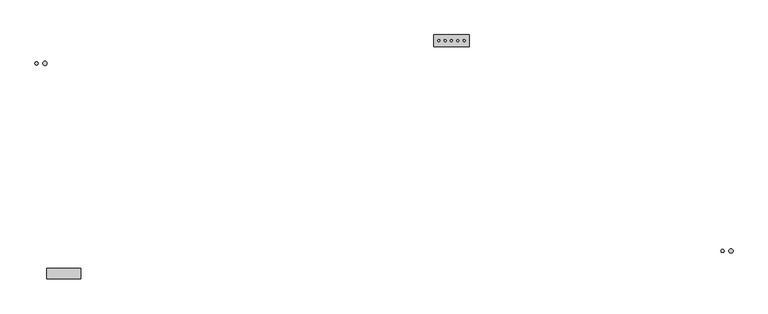
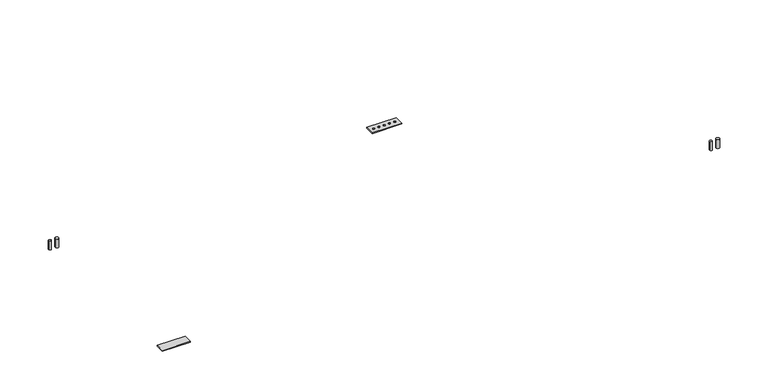
"""IFC4 building model written with IfcOpenShell, lengths in millimetres: proxy geometry."""

from ifc_helpers import new_model, si_unit, point, frame, frame_2d, origin, place, context, project, spatial, polyline, circle_curve, trimmed, segment, composite_curve, outline, extrude, source, transform, mapped, element, save


def mechanical_equipment_dfa32d5c(model_context):
    return source(origin(), model_context, "Body", "SweptSolid", [
        extrude(outline(composite_curve([segment(trimmed(circle_curve(frame_2d((242.6911047, 192.5203719)), 12.7), [point((229.9911047, 192.5203719))], [point((255.3911047, 192.5203719))], False, "CARTESIAN"), True, "CONTINUOUS"), segment(trimmed(circle_curve(frame_2d((242.6911047, 192.5203719)), 12.7), [point((255.3911047, 192.5203719))], [point((229.9911047, 192.5203719))], False, "CARTESIAN"), True, "CONTINUOUS")], self_intersect=False)), frame((0.0, 0.0, 61.2666507), z_axis=(0.0, 0.0, 1.0), x_axis=(1.0, 0.0, 0.0)), (0.0, 0.0, 1.0), 65.7333493),
        extrude(outline(composite_curve([segment(trimmed(circle_curve(frame_2d((191.8911047, 192.5203719)), 9.525), [point((182.3661047, 192.5203719))], [point((201.4161047, 192.5203719))], False, "CARTESIAN"), True, "CONTINUOUS"), segment(trimmed(circle_curve(frame_2d((191.8911047, 192.5203719)), 9.525), [point((201.4161047, 192.5203719))], [point((182.3661047, 192.5203719))], False, "CARTESIAN"), True, "CONTINUOUS")], self_intersect=False)), frame((0.0, 0.0, 61.2666507), z_axis=(0.0, 0.0, 1.0), x_axis=(1.0, 0.0, 0.0)), (0.0, 0.0, 1.0), 65.7333493),
        extrude(outline(composite_curve([segment(trimmed(circle_curve(frame_2d((2616.1027684, 329.7424825)), 6.35), [point((2609.7527684, 329.7424825))], [point((2622.4527684, 329.7424825))], False, "CARTESIAN"), True, "CONTINUOUS"), segment(trimmed(circle_curve(frame_2d((2616.1027684, 329.7424825)), 6.35), [point((2622.4527684, 329.7424825))], [point((2609.7527684, 329.7424825))], False, "CARTESIAN"), True, "CONTINUOUS")], self_intersect=False)), frame((0.0, 0.0, 44.45), z_axis=(0.0, 0.0, 1.0), x_axis=(1.0, 0.0, 0.0)), (0.0, 0.0, 1.0), 6.35),
        extrude(outline(composite_curve([segment(trimmed(circle_curve(frame_2d((2654.2027684, 329.7424825)), 6.35), [point((2647.8527684, 329.7424825))], [point((2660.5527684, 329.7424825))], False, "CARTESIAN"), True, "CONTINUOUS"), segment(trimmed(circle_curve(frame_2d((2654.2027684, 329.7424825)), 6.35), [point((2660.5527684, 329.7424825))], [point((2647.8527684, 329.7424825))], False, "CARTESIAN"), True, "CONTINUOUS")], self_intersect=False)), frame((0.0, 0.0, 44.45), z_axis=(0.0, 0.0, 1.0), x_axis=(1.0, 0.0, 0.0)), (0.0, 0.0, 1.0), 6.35),
        extrude(outline(composite_curve([segment(trimmed(circle_curve(frame_2d((2692.3027684, 329.7424825)), 6.35), [point((2685.9527684, 329.7424825))], [point((2698.6527684, 329.7424825))], False, "CARTESIAN"), True, "CONTINUOUS"), segment(trimmed(circle_curve(frame_2d((2692.3027684, 329.7424825)), 6.35), [point((2698.6527684, 329.7424825))], [point((2685.9527684, 329.7424825))], False, "CARTESIAN"), True, "CONTINUOUS")], self_intersect=False)), frame((0.0, 0.0, 44.45), z_axis=(0.0, 0.0, 1.0), x_axis=(1.0, 0.0, 0.0)), (0.0, 0.0, 1.0), 6.35),
        extrude(outline(composite_curve([segment(trimmed(circle_curve(frame_2d((2730.4027684, 329.7424825)), 6.35), [point((2724.0527684, 329.7424825))], [point((2736.7527684, 329.7424825))], False, "CARTESIAN"), True, "CONTINUOUS"), segment(trimmed(circle_curve(frame_2d((2730.4027684, 329.7424825)), 6.35), [point((2736.7527684, 329.7424825))], [point((2724.0527684, 329.7424825))], False, "CARTESIAN"), True, "CONTINUOUS")], self_intersect=False)), frame((0.0, 0.0, 44.45), z_axis=(0.0, 0.0, 1.0), x_axis=(1.0, 0.0, 0.0)), (0.0, 0.0, 1.0), 6.35),
        extrude(outline(composite_curve([segment(trimmed(circle_curve(frame_2d((2768.5027684, 329.7424825)), 6.35), [point((2762.1527684, 329.7424825))], [point((2774.8527684, 329.7424825))], False, "CARTESIAN"), True, "CONTINUOUS"), segment(trimmed(circle_curve(frame_2d((2768.5027684, 329.7424825)), 6.35), [point((2774.8527684, 329.7424825))], [point((2762.1527684, 329.7424825))], False, "CARTESIAN"), True, "CONTINUOUS")], self_intersect=False)), frame((0.0, 0.0, 44.45), z_axis=(0.0, 0.0, 1.0), x_axis=(1.0, 0.0, 0.0)), (0.0, 0.0, 1.0), 6.35),
        extrude(outline(polyline([(2584.3527684, 364.6674825), (2799.5379173, 364.6674825), (2799.5379173, 294.8174825), (2584.3527684, 294.8174825), (2584.3527684, 364.6674825)])), frame((0.0, 0.0, 44.45), z_axis=(0.0, 0.0, 1.0), x_axis=(1.0, 0.0, 0.0)), (0.0, 0.0, 1.0), 6.35),
        extrude(outline(polyline([(457.2, -1044.3321273), (457.2, -1108.244384), (254.0, -1108.244384), (254.0, -1044.3321273), (457.2, -1044.3321273)])), frame((0.0, 0.0, 44.45), z_axis=(0.0, 0.0, 1.0), x_axis=(1.0, 0.0, 0.0)), (0.0, 0.0, 1.0), 6.35),
        extrude(outline(composite_curve([segment(trimmed(circle_curve(frame_2d((4376.7375, -939.5571273)), 12.7), [point((4364.0375, -939.5571273))], [point((4389.4375, -939.5571273))], False, "CARTESIAN"), True, "CONTINUOUS"), segment(trimmed(circle_curve(frame_2d((4376.7375, -939.5571273)), 12.7), [point((4389.4375, -939.5571273))], [point((4364.0375, -939.5571273))], False, "CARTESIAN"), True, "CONTINUOUS")], self_intersect=False)), frame((0.0, 0.0, 61.2666507), z_axis=(0.0, 0.0, 1.0), x_axis=(1.0, 0.0, 0.0)), (0.0, 0.0, 1.0), 65.7333493),
        extrude(outline(composite_curve([segment(trimmed(circle_curve(frame_2d((4325.9375, -939.5571273)), 9.525), [point((4316.4125, -939.5571273))], [point((4335.4625, -939.5571273))], False, "CARTESIAN"), True, "CONTINUOUS"), segment(trimmed(circle_curve(frame_2d((4325.9375, -939.5571273)), 9.525), [point((4335.4625, -939.5571273))], [point((4316.4125, -939.5571273))], False, "CARTESIAN"), True, "CONTINUOUS")], self_intersect=False)), frame((0.0, 0.0, 61.2666507), z_axis=(0.0, 0.0, 1.0), x_axis=(1.0, 0.0, 0.0)), (0.0, 0.0, 1.0), 65.7333493),
    ])


if __name__ == "__main__":
    model = new_model("IFC4")
    model_context = context("Model", 3, world=origin())
    ifc_project = project(units=[si_unit("LENGTHUNIT", "METRE", prefix="MILLI")], contexts=[model_context])
    site = spatial("IfcSite", under=ifc_project)
    building = spatial("IfcBuilding", under=site)
    placement = place(None, origin())
    mechanical_equipment_shape = mechanical_equipment_dfa32d5c(model_context)
    element("IfcBuildingElementProxy", 1, Name="Mechanical Equipment", at=placement, inside=building, context=model_context, shape_type="MappedRepresentation", body=[
        mapped(mechanical_equipment_shape, transform((0.0, 0.0, 0.0), x_axis=(1.0, 0.0, 0.0), y_axis=(0.0, 1.0, 0.0), z_axis=(0.0, 0.0, 1.0))),
    ])
    save(model, "model.ifc")
